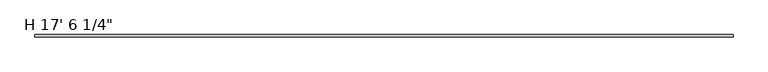
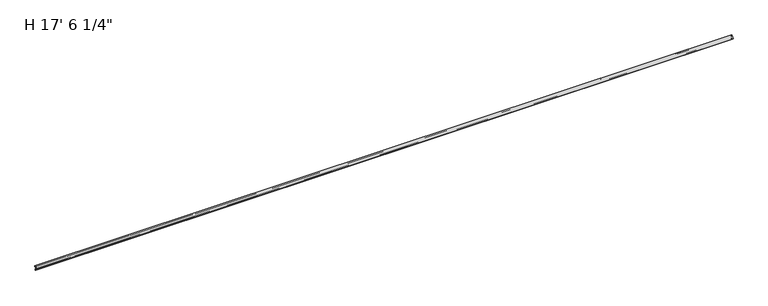
"""IFC4 building model written with IfcOpenShell, lengths in millimetres: proxy geometry."""

from ifc_helpers import new_model, si_unit, point, frame, frame_2d, origin, place, context, project, spatial, polyline, circle_curve, trimmed, segment, composite_curve, outline, extrude, source, transform, mapped, element, save


def proxy_d47abaa8(model_context):
    return source(origin(), model_context, "Body", "SweptSolid", [
        extrude(outline(composite_curve([segment(trimmed(circle_curve(frame_2d((-7.0030343, -1.113481)), 1.4278993), [point((-6.1091347, 0.0))], [point((-7.8893268, 0.0060645))], True, "CARTESIAN"), True, "CONTINUOUS"), segment(polyline([(-7.8893268, 0.0060645), (-8.1553262, 0.8894873), (-7.9862027, 1.6851507), (-8.1786509, 2.4848291), (-7.9880038, 3.3817532), (-8.1776372, 4.2927955), (-7.9834986, 5.0714427), (-8.1655958, 5.9462793), (-7.972318, 6.7214745), (-8.1398857, 7.5265082), (-7.9490433, 8.2919351), (-8.1699585, 9.0623577), (-7.9721145, 9.9931404), (-9.525, 9.9931404)]), True, "CONTINUOUS"), segment(trimmed(circle_curve(frame_2d((-11.1161473, 9.9892618)), 1.591152), [point((-9.525, 9.9931404))], [point((-11.1161473, 11.5804138))], True, "CARTESIAN"), True, "CONTINUOUS"), segment(polyline([(-11.1161473, 11.5804138), (-12.4902194, 11.5804138)]), True, "CONTINUOUS"), segment(trimmed(circle_curve(frame_2d((-14.0777194, 11.5804138)), 1.5875), [point((-12.4902194, 11.5804138))], [point((-15.6652194, 11.5804138))], False, "CARTESIAN"), True, "CONTINUOUS"), segment(polyline([(-15.6652194, 11.5804138), (-19.05, 11.5804138)]), True, "CONTINUOUS"), segment(trimmed(circle_curve(frame_2d((0.635, 11.5804138)), 19.685), [point((-19.05, 11.5804138))], [point((0.0, 31.2551692))], False, "CARTESIAN"), True, "CONTINUOUS"), segment(polyline([(0.0, 31.2551692), (0.0, 29.1388523), (-0.254, 28.2962972), (0.0, 27.3483563), (-0.254, 26.5058012), (0.0, 25.0705593)]), True, "CONTINUOUS"), segment(trimmed(circle_curve(frame_2d((-0.79502, 25.0705593)), 0.79502), [point((0.0, 25.0705593))], [point((-0.79502, 24.2755393))], False, "CARTESIAN"), True, "CONTINUOUS"), segment(polyline([(-0.79502, 24.2755393), (-1.5946294, 24.3595817), (-1.8599178, 25.8586097), (-1.5875, 26.7622595), (-1.8415, 27.7102004), (-1.6524001, 28.7826392)]), True, "CONTINUOUS"), segment(trimmed(circle_curve(frame_2d((-3.1115, 25.8284159)), 3.2949063), [point((-1.6524001, 28.7826392))], [point((-4.3677301, 28.8744451))], True, "CARTESIAN"), True, "CONTINUOUS"), segment(polyline([(-4.3677301, 28.8744451), (-4.1978841, 28.1090541), (-4.4923475, 27.2216207), (-4.2880317, 26.4591036), (-4.5167099, 25.7005446), (-4.2974045, 24.8820856), (-5.0436174, 24.3595817)]), True, "CONTINUOUS"), segment(trimmed(circle_curve(frame_2d((-5.0436174, 25.172294)), 0.8127124), [point((-5.0436174, 24.3595817))], [point((-5.8563298, 25.172294))], False, "CARTESIAN"), True, "CONTINUOUS"), segment(polyline([(-5.8563298, 25.172294), (-5.8563298, 26.7830356)]), True, "CONTINUOUS"), segment(trimmed(circle_curve(frame_2d((-6.9689863, 26.7830356)), 1.1126565), [point((-5.8563298, 26.7830356))], [point((-7.4661878, 27.7784225))], True, "CARTESIAN"), True, "CONTINUOUS"), segment(trimmed(circle_curve(frame_2d((0.6044452, 11.6211879)), 18.0607682), [point((-7.4661878, 27.7784225))], [point((-17.1246029, 15.066794))], True, "CARTESIAN"), True, "CONTINUOUS"), segment(trimmed(circle_curve(frame_2d((-15.5679403, 14.7554138)), 1.5875), [point((-17.1246029, 15.066794))], [point((-15.5679403, 13.1679138))], True, "CARTESIAN"), True, "CONTINUOUS"), segment(polyline([(-15.5679403, 13.1679138), (-9.839437, 13.1679138), (-5.8977295, 11.6146251), (-5.8977295, 9.99082), (-5.5657997, 9.2789941), (-5.9337229, 8.5870312), (-5.5986989, 7.8345551), (-6.0051261, 7.0980568), (-5.5991801, 6.4224493), (-5.9294957, 5.7140853), (-5.5944321, 4.9955392), (-5.934397, 4.2664822), (-5.6042879, 3.5585611), (-5.9631778, 2.7889192), (-5.6321023, 2.0789255), (-5.9684988, 1.3575208), (-5.5808077, 0.6581076), (-6.1091347, 0.0)]), True, "CONTINUOUS")], self_intersect=False)), frame((0.0, 0.0, 0.0), z_axis=(1.0, 0.0, 0.0), x_axis=(0.0, 1.0, 0.0)), (0.0, 0.0, 1.0), 5340.35),
    ])


if __name__ == "__main__":
    model = new_model("IFC4")
    model_context = context("Model", 3, world=origin())
    ifc_project = project(units=[si_unit("LENGTHUNIT", "METRE", prefix="MILLI")], contexts=[model_context])
    site = spatial("IfcSite", under=ifc_project)
    building = spatial("IfcBuilding", under=site)
    placement = place(None, origin())
    proxy_shape = proxy_d47abaa8(model_context)
    element("IfcBuildingElementProxy", 1, Name="H 17' 6 1/4\"", ObjectType="H 17' 6 1/4\"", at=placement, inside=building, context=model_context, shape_type="MappedRepresentation", body=[
        mapped(proxy_shape, transform((0.0, 0.0, 0.0), x_axis=(1.0, 0.0, 0.0), y_axis=(0.0, 1.0, 0.0), z_axis=(0.0, 0.0, 1.0))),
    ])
    save(model, "model.ifc")
